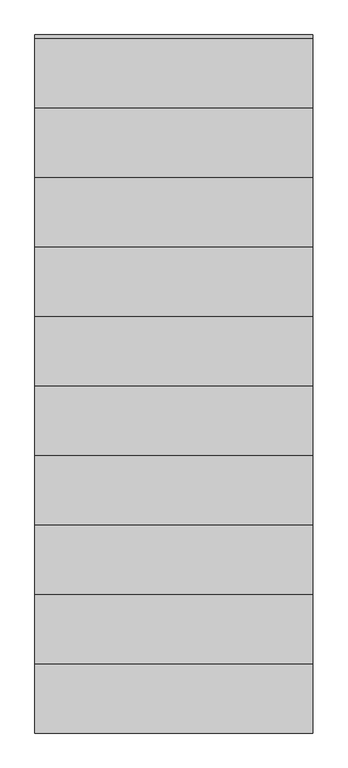
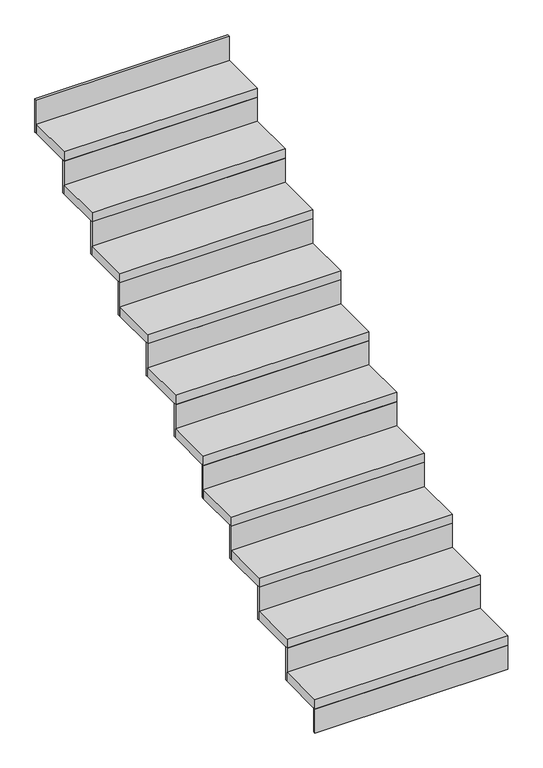
"""IFC4 building model written with IfcOpenShell, lengths in millimetres: stair flight geometry."""

from ifc_helpers import new_model, si_unit, frame, origin, origin_with_axes, place, context, project, spatial, polyline, outline, extrude, source, transform, mapped, element, save


def stair_flight_b86e93c3(model_context):
    return source(origin(), model_context, "Body", "SweptSolid", [
        extrude(outline(polyline([(-13920.4675457, -20810.2019092), (-13920.4675457, -20822.7019092), (-14920.4675457, -20822.7019092), (-14920.4675457, -20810.2019092), (-13920.4675457, -20810.2019092)])), origin_with_axes(), (0.0, 0.0, 1.0), 131.8181818),
        extrude(outline(polyline([(-14920.4675457, -20572.7019092), (-13920.4675457, -20572.7019092), (-13920.4675457, -20822.7019092), (-14920.4675457, -20822.7019092), (-14920.4675457, -20572.7019092)])), frame((0.0, 0.0, 131.8181818), z_axis=(0.0, 0.0, 1.0), x_axis=(1.0, 0.0, 0.0)), (0.0, 0.0, 1.0), 50.0),
        extrude(outline(polyline([(-13920.4675457, -20560.2019092), (-13920.4675457, -20572.7019092), (-14920.4675457, -20572.7019092), (-14920.4675457, -20560.2019092), (-13920.4675457, -20560.2019092)])), frame((0.0, 0.0, 131.8181818), z_axis=(0.0, 0.0, 1.0), x_axis=(1.0, 0.0, 0.0)), (0.0, 0.0, 1.0), 181.8181818),
        extrude(outline(polyline([(-14920.4675457, -20322.7019092), (-13920.4675457, -20322.7019092), (-13920.4675457, -20572.7019092), (-14920.4675457, -20572.7019092), (-14920.4675457, -20322.7019092)])), frame((0.0, 0.0, 313.6363636), z_axis=(0.0, 0.0, 1.0), x_axis=(1.0, 0.0, 0.0)), (0.0, 0.0, 1.0), 50.0),
        extrude(outline(polyline([(-13920.4675457, -20310.2019092), (-13920.4675457, -20322.7019092), (-14920.4675457, -20322.7019092), (-14920.4675457, -20310.2019092), (-13920.4675457, -20310.2019092)])), frame((0.0, 0.0, 313.6363636), z_axis=(0.0, 0.0, 1.0), x_axis=(1.0, 0.0, 0.0)), (0.0, 0.0, 1.0), 181.8181818),
        extrude(outline(polyline([(-14920.4675457, -20072.7019092), (-13920.4675457, -20072.7019092), (-13920.4675457, -20322.7019092), (-14920.4675457, -20322.7019092), (-14920.4675457, -20072.7019092)])), frame((0.0, 0.0, 495.4545455), z_axis=(0.0, 0.0, 1.0), x_axis=(1.0, 0.0, 0.0)), (0.0, 0.0, 1.0), 50.0),
        extrude(outline(polyline([(-13920.4675457, -20060.2019092), (-13920.4675457, -20072.7019092), (-14920.4675457, -20072.7019092), (-14920.4675457, -20060.2019092), (-13920.4675457, -20060.2019092)])), frame((0.0, 0.0, 495.4545455), z_axis=(0.0, 0.0, 1.0), x_axis=(1.0, 0.0, 0.0)), (0.0, 0.0, 1.0), 181.8181818),
        extrude(outline(polyline([(-14920.4675457, -19822.7019092), (-13920.4675457, -19822.7019092), (-13920.4675457, -20072.7019092), (-14920.4675457, -20072.7019092), (-14920.4675457, -19822.7019092)])), frame((0.0, 0.0, 677.2727273), z_axis=(0.0, 0.0, 1.0), x_axis=(1.0, 0.0, 0.0)), (0.0, 0.0, 1.0), 50.0),
        extrude(outline(polyline([(-13920.4675457, -19810.2019092), (-13920.4675457, -19822.7019092), (-14920.4675457, -19822.7019092), (-14920.4675457, -19810.2019092), (-13920.4675457, -19810.2019092)])), frame((0.0, 0.0, 677.2727273), z_axis=(0.0, 0.0, 1.0), x_axis=(1.0, 0.0, 0.0)), (0.0, 0.0, 1.0), 181.8181818),
        extrude(outline(polyline([(-14920.4675457, -19572.7019092), (-13920.4675457, -19572.7019092), (-13920.4675457, -19822.7019092), (-14920.4675457, -19822.7019092), (-14920.4675457, -19572.7019092)])), frame((0.0, 0.0, 859.0909091), z_axis=(0.0, 0.0, 1.0), x_axis=(1.0, 0.0, 0.0)), (0.0, 0.0, 1.0), 50.0),
        extrude(outline(polyline([(-13920.4675457, -19560.2019092), (-13920.4675457, -19572.7019092), (-14920.4675457, -19572.7019092), (-14920.4675457, -19560.2019092), (-13920.4675457, -19560.2019092)])), frame((0.0, 0.0, 859.0909091), z_axis=(0.0, 0.0, 1.0), x_axis=(1.0, 0.0, 0.0)), (0.0, 0.0, 1.0), 181.8181818),
        extrude(outline(polyline([(-14920.4675457, -19322.7019092), (-13920.4675457, -19322.7019092), (-13920.4675457, -19572.7019092), (-14920.4675457, -19572.7019092), (-14920.4675457, -19322.7019092)])), frame((0.0, 0.0, 1040.9090909), z_axis=(0.0, 0.0, 1.0), x_axis=(1.0, 0.0, 0.0)), (0.0, 0.0, 1.0), 50.0),
        extrude(outline(polyline([(-13920.4675457, -19310.2019092), (-13920.4675457, -19322.7019092), (-14920.4675457, -19322.7019092), (-14920.4675457, -19310.2019092), (-13920.4675457, -19310.2019092)])), frame((0.0, 0.0, 1040.9090909), z_axis=(0.0, 0.0, 1.0), x_axis=(1.0, 0.0, 0.0)), (0.0, 0.0, 1.0), 181.8181818),
        extrude(outline(polyline([(-14920.4675457, -19072.7019092), (-13920.4675457, -19072.7019092), (-13920.4675457, -19322.7019092), (-14920.4675457, -19322.7019092), (-14920.4675457, -19072.7019092)])), frame((0.0, 0.0, 1222.7272727), z_axis=(0.0, 0.0, 1.0), x_axis=(1.0, 0.0, 0.0)), (0.0, 0.0, 1.0), 50.0),
        extrude(outline(polyline([(-13920.4675457, -19060.2019092), (-13920.4675457, -19072.7019092), (-14920.4675457, -19072.7019092), (-14920.4675457, -19060.2019092), (-13920.4675457, -19060.2019092)])), frame((0.0, 0.0, 1222.7272727), z_axis=(0.0, 0.0, 1.0), x_axis=(1.0, 0.0, 0.0)), (0.0, 0.0, 1.0), 181.8181818),
        extrude(outline(polyline([(-14920.4675457, -18822.7019092), (-13920.4675457, -18822.7019092), (-13920.4675457, -19072.7019092), (-14920.4675457, -19072.7019092), (-14920.4675457, -18822.7019092)])), frame((0.0, 0.0, 1404.5454545), z_axis=(0.0, 0.0, 1.0), x_axis=(1.0, 0.0, 0.0)), (0.0, 0.0, 1.0), 50.0),
        extrude(outline(polyline([(-13920.4675457, -18810.2019092), (-13920.4675457, -18822.7019092), (-14920.4675457, -18822.7019092), (-14920.4675457, -18810.2019092), (-13920.4675457, -18810.2019092)])), frame((0.0, 0.0, 1404.5454545), z_axis=(0.0, 0.0, 1.0), x_axis=(1.0, 0.0, 0.0)), (0.0, 0.0, 1.0), 181.8181818),
        extrude(outline(polyline([(-14920.4675457, -18572.7019092), (-13920.4675457, -18572.7019092), (-13920.4675457, -18822.7019092), (-14920.4675457, -18822.7019092), (-14920.4675457, -18572.7019092)])), frame((0.0, 0.0, 1586.3636364), z_axis=(0.0, 0.0, 1.0), x_axis=(1.0, 0.0, 0.0)), (0.0, 0.0, 1.0), 50.0),
        extrude(outline(polyline([(-13920.4675457, -18560.2019092), (-13920.4675457, -18572.7019092), (-14920.4675457, -18572.7019092), (-14920.4675457, -18560.2019092), (-13920.4675457, -18560.2019092)])), frame((0.0, 0.0, 1586.3636364), z_axis=(0.0, 0.0, 1.0), x_axis=(1.0, 0.0, 0.0)), (0.0, 0.0, 1.0), 181.8181818),
        extrude(outline(polyline([(-13920.4675457, -18310.2019092), (-13920.4675457, -18322.7019092), (-14920.4675457, -18322.7019092), (-14920.4675457, -18310.2019092), (-13920.4675457, -18310.2019092)])), frame((0.0, 0.0, 1768.1818182), z_axis=(0.0, 0.0, 1.0), x_axis=(1.0, 0.0, 0.0)), (0.0, 0.0, 1.0), 181.8181818),
        extrude(outline(polyline([(-14920.4675457, -18322.7019092), (-13920.4675457, -18322.7019092), (-13920.4675457, -18572.7019092), (-14920.4675457, -18572.7019092), (-14920.4675457, -18322.7019092)])), frame((0.0, 0.0, 1768.1818182), z_axis=(0.0, 0.0, 1.0), x_axis=(1.0, 0.0, 0.0)), (0.0, 0.0, 1.0), 50.0),
    ])


if __name__ == "__main__":
    model = new_model("IFC4")
    model_context = context("Model", 3, world=origin())
    ifc_project = project(units=[si_unit("LENGTHUNIT", "METRE", prefix="MILLI")], contexts=[model_context])
    site = spatial("IfcSite", under=ifc_project)
    building = spatial("IfcBuilding", under=site)
    placement = place(None, origin())
    stair_flight_shape = stair_flight_b86e93c3(model_context)
    element("IfcStairFlight", 1, at=placement, inside=building, context=model_context, shape_type="MappedRepresentation", body=[
        mapped(stair_flight_shape, transform((0.0, 0.0, 0.0), x_axis=(1.0, 0.0, 0.0), y_axis=(0.0, 1.0, 0.0), z_axis=(0.0, 0.0, 1.0))),
    ])
    save(model, "model.ifc")
